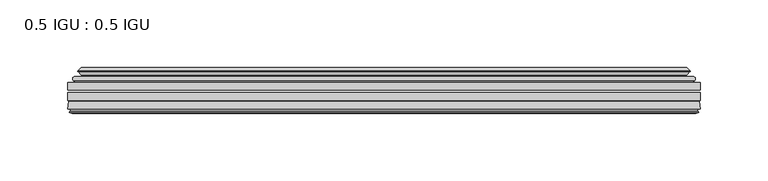
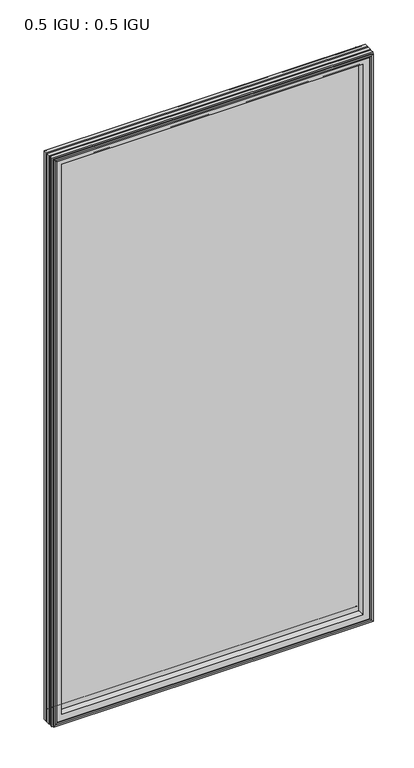
"""IFC4 building model written with IfcOpenShell, lengths in millimetres: plate geometry, 0.5 IGU : 0.5 IGU."""

from ifc_helpers import new_model, si_unit, frame, origin, place, context, project, spatial, polyline, ellipse_curve, outline, extrude, source, transform, mapped, element, save
from ifc_brep_helpers import plane_surface, cylinder_surface, revolved_surface, advanced_brep


def plate_0_5_igu_0_5_igu_bcd5ea9c(model_context):
    return source(origin(), model_context, "Body", "SolidModel", [
        extrude(outline(polyline([(233.376675, -55.82285), (233.376675, -61.48705), (-233.3625, -61.48705), (-233.3625, -55.82285), (233.376675, -55.82285)])), frame((0.0, 0.0, -14.2875), z_axis=(0.0, 0.0, 1.0), x_axis=(1.0, 0.0, 0.0)), (0.0, 0.0, 1.0), 873.1287979),
        extrude(outline(polyline([(-233.3625, -69.05625), (-233.3625, -63.39205), (233.376675, -63.39205), (233.376675, -69.05625), (-233.3625, -69.05625)])), frame((0.0, 0.0, -14.2875), z_axis=(0.0, 0.0, 1.0), x_axis=(1.0, 0.0, 0.0)), (0.0, 0.0, 1.0), 873.1287979),
        advanced_brep(
        [(-229.2599626, -54.3724927, 854.7349626), (-228.2154378, -51.60645, 853.6904378), (-228.2154378, -51.60645, -9.1404378), (-229.2599626, -54.3724927, -10.1849626), (-227.623517, -55.82285, 853.098517), (-227.623517, -55.82285, -8.548517), (-219.075, -45.63745, 844.55), (-215.4922761, -55.82285, 840.9672761), (-215.4922761, -55.82285, 3.5827239), (-219.075, -45.63745, 0.0), (-224.2609109, -46.8185491, 849.7359109), (-224.2609109, -46.8185491, -5.1859109), (-223.4638893, -44.8183085, 848.9388893), (-223.4638893, -44.8183085, -4.3888893), (-225.7476111, -47.135817, 851.2226111), (-225.7476111, -47.135817, -6.6726111), (-225.7476111, -47.8489429, 851.2226111), (-225.7476111, -47.8489429, -6.6726111), (-223.4638893, -50.1664515, 848.9388893), (-223.4638893, -50.1664515, -4.3888893), (-224.2532501, -48.1854367, 849.7282501), (-224.2532501, -48.1854367, -5.1782501), (-221.7294379, -48.027045, 847.2044379), (-221.7294379, -48.027045, -2.6544379), (-220.7036217, -48.7147544, 846.1786217), (-220.7036217, -48.7147544, -1.6286217), (-220.8220288, -50.1092231, 846.2970288), (-220.8220288, -50.1092231, -1.7470288), (-221.4237748, -51.60645, 846.8987748), (-221.4237748, -51.60645, -2.3487748), (228.2154378, -51.60645, -9.1404378), (229.2599626, -54.3724927, -10.1849626), (227.623517, -55.82285, -8.548517), (215.4922761, -55.82285, 3.5827239), (219.075, -45.63745, 0.0), (224.2609109, -46.8185491, -5.1859109), (223.4638893, -44.8183085, -4.3888893), (225.7476111, -47.135817, -6.6726111), (225.7476111, -47.8489429, -6.6726111), (223.4638893, -50.1664515, -4.3888893), (224.2532501, -48.1854367, -5.1782501), (221.7294379, -48.027045, -2.6544379), (220.7036217, -48.7147544, -1.6286217), (220.8220288, -50.1092231, -1.7470288), (221.4237748, -51.60645, -2.3487748), (228.2154378, -51.60645, 853.6904378), (229.2599626, -54.3724927, 854.7349626), (227.623517, -55.82285, 853.098517), (215.4922761, -55.82285, 840.9672761), (219.075, -45.63745, 844.55), (224.2609109, -46.8185491, 849.7359109), (223.4638893, -44.8183085, 848.9388893), (225.7476111, -47.135817, 851.2226111), (225.7476111, -47.8489429, 851.2226111), (223.4638893, -50.1664515, 848.9388893), (224.2532501, -48.1854367, 849.7282501), (221.7294379, -48.027045, 847.2044379), (220.7036217, -48.7147544, 846.1786217), (220.8220288, -50.1092231, 846.2970288), (221.4237748, -51.60645, 846.8987748)],
        [
            (0, 1, ellipse_curve(frame((-228.2070703, -53.1898501, 853.6820703), z_axis=(-0.7071067811865475, 0.0, -0.7071067811865475), x_axis=(-0.7071067811865474, 0.0, 0.7071067811865476)), 2.2392971, 1.5834222)),
            (1, 2),
            (2, 3, ellipse_curve(frame((-228.2070703, -53.1898501, -9.1320703), z_axis=(-0.7071067811865475, 0.0, 0.7071067811865475), x_axis=(0.7071067811865474, 0.0, 0.7071067811865476)), 2.2392971, 1.5834222)),
            (3, 0),
            (4, 0),
            (3, 5),
            (5, 4),
            (6, 7, ellipse_curve(frame((-186.795246, -40.0058297, 812.270246), z_axis=(0.7071067811865475, 0.0, 0.7071067811865475), x_axis=(0.7071067811865474, 0.0, -0.7071067811865476)), 46.3399971, 32.7673262)),
            (7, 8),
            (8, 9, ellipse_curve(frame((-186.795246, -40.0058297, 32.279754), z_axis=(0.7071067811865475, 0.0, -0.7071067811865475), x_axis=(-0.7071067811865474, 0.0, -0.7071067811865476)), 46.3399971, 32.7673262)),
            (9, 6),
            (10, 6),
            (9, 11),
            (11, 10),
            (12, 10),
            (11, 13),
            (13, 12),
            (14, 12),
            (13, 15),
            (15, 14),
            (16, 14, ellipse_curve(frame((-225.3857729, -47.49238, 850.8607729), z_axis=(-0.7071067811865475, 0.0, -0.7071067811865475), x_axis=(-0.7071067811865474, 0.0, 0.7071067811865476)), 0.7184205, 0.508)),
            (15, 17, ellipse_curve(frame((-225.3857729, -47.49238, -6.3107729), z_axis=(-0.7071067811865475, 0.0, 0.7071067811865475), x_axis=(0.7071067811865474, 0.0, 0.7071067811865476)), 0.7184205, 0.508)),
            (17, 16),
            (18, 16),
            (17, 19),
            (19, 18),
            (20, 18),
            (19, 21),
            (21, 20),
            (22, 20),
            (21, 23),
            (23, 22),
            (24, 22, ellipse_curve(frame((-221.6658, -49.04105, 847.1408), z_axis=(0.7071067811865475, 0.0, 0.7071067811865475), x_axis=(0.7071067811865474, 0.0, -0.7071067811865476)), 1.436841, 1.016)),
            (23, 25, ellipse_curve(frame((-221.6658, -49.04105, -2.5908), z_axis=(0.7071067811865475, 0.0, -0.7071067811865475), x_axis=(-0.7071067811865474, 0.0, -0.7071067811865476)), 1.436841, 1.016)),
            (25, 24),
            (26, 24, ellipse_curve(frame((-223.0374, -49.21885, 848.5124), z_axis=(0.7071067811865475, 0.0, 0.7071067811865475), x_axis=(0.7071067811865474, 0.0, -0.7071067811865476)), 3.3765763, 2.3876)),
            (25, 27, ellipse_curve(frame((-223.0374, -49.21885, -3.9624), z_axis=(0.7071067811865475, 0.0, -0.7071067811865475), x_axis=(-0.7071067811865474, 0.0, -0.7071067811865476)), 3.3765763, 2.3876)),
            (27, 26),
            (28, 26),
            (27, 29),
            (29, 28),
            (2, 30),
            (30, 31, ellipse_curve(frame((228.2070703, -53.1898501, -9.1320703), z_axis=(-0.7071067811865475, 0.0, -0.7071067811865475), x_axis=(-0.7071067811865476, 0.0, 0.7071067811865474)), 2.2392971, 1.5834222)),
            (31, 3),
            (31, 32),
            (32, 5),
            (8, 33),
            (33, 34, ellipse_curve(frame((186.795246, -40.0058297, 32.279754), z_axis=(0.7071067811865475, 0.0, 0.7071067811865475), x_axis=(0.7071067811865476, 0.0, -0.7071067811865474)), 46.3399971, 32.7673262)),
            (34, 9),
            (34, 35),
            (35, 11),
            (35, 36),
            (36, 13),
            (36, 37),
            (37, 15),
            (37, 38, ellipse_curve(frame((225.3857729, -47.49238, -6.3107729), z_axis=(-0.7071067811865475, 0.0, -0.7071067811865475), x_axis=(-0.7071067811865476, 0.0, 0.7071067811865474)), 0.7184205, 0.508)),
            (38, 17),
            (38, 39),
            (39, 19),
            (39, 40),
            (40, 21),
            (40, 41),
            (41, 23),
            (41, 42, ellipse_curve(frame((221.6658, -49.04105, -2.5908), z_axis=(0.7071067811865475, 0.0, 0.7071067811865475), x_axis=(0.7071067811865476, 0.0, -0.7071067811865474)), 1.436841, 1.016)),
            (42, 25),
            (42, 43, ellipse_curve(frame((223.0374, -49.21885, -3.9624), z_axis=(0.7071067811865475, 0.0, 0.7071067811865475), x_axis=(0.7071067811865476, 0.0, -0.7071067811865474)), 3.3765763, 2.3876)),
            (43, 27),
            (43, 44),
            (44, 29),
            (30, 45),
            (45, 46, ellipse_curve(frame((228.2070703, -53.1898501, 853.6820703), z_axis=(0.7071067811865475, 0.0, -0.7071067811865475), x_axis=(-0.7071067811865474, 0.0, -0.7071067811865476)), 2.2392971, 1.5834222)),
            (46, 31),
            (46, 47),
            (47, 32),
            (33, 48),
            (48, 49, ellipse_curve(frame((186.795246, -40.0058297, 812.270246), z_axis=(-0.7071067811865475, 0.0, 0.7071067811865475), x_axis=(0.7071067811865474, 0.0, 0.7071067811865476)), 46.3399971, 32.7673262)),
            (49, 34),
            (49, 50),
            (50, 35),
            (50, 51),
            (51, 36),
            (51, 52),
            (52, 37),
            (52, 53, ellipse_curve(frame((225.3857729, -47.49238, 850.8607729), z_axis=(0.7071067811865475, 0.0, -0.7071067811865475), x_axis=(-0.7071067811865474, 0.0, -0.7071067811865476)), 0.7184205, 0.508)),
            (53, 38),
            (53, 54),
            (54, 39),
            (54, 55),
            (55, 40),
            (55, 56),
            (56, 41),
            (56, 57, ellipse_curve(frame((221.6658, -49.04105, 847.1408), z_axis=(-0.7071067811865475, 0.0, 0.7071067811865475), x_axis=(0.7071067811865474, 0.0, 0.7071067811865476)), 1.436841, 1.016)),
            (57, 42),
            (57, 58, ellipse_curve(frame((223.0374, -49.21885, 848.5124), z_axis=(-0.7071067811865475, 0.0, 0.7071067811865475), x_axis=(0.7071067811865474, 0.0, 0.7071067811865476)), 3.3765763, 2.3876)),
            (58, 43),
            (58, 59),
            (59, 44),
            (45, 1),
            (0, 46),
            (4, 47),
            (7, 48),
            (6, 49),
            (10, 50),
            (12, 51),
            (14, 52),
            (16, 53),
            (18, 54),
            (20, 55),
            (22, 56),
            (24, 57),
            (26, 58),
            (28, 59),
        ],
        [
            cylinder_surface(frame((-228.2070703, -53.1898501, 876.3), z_axis=(0.0, 0.0, 1.0), x_axis=(-1.0, 0.0, 0.0)), 1.5834222),
            plane_surface(frame((-229.2599626, -54.3724927, 854.7349626), z_axis=(-0.6632745773184306, -0.7483761320907135, 0.0), x_axis=(0.0, 0.0, -1.0))),
            revolved_surface(polyline([(-219.56257219999998, -40.0058297, -0.48757218957496207), (-219.56257219999998, -40.0058297, 845.037572189575)]), (-186.795246, -40.0058297, 876.3), (0.0, 0.0, -1.0)),
            plane_surface(frame((-219.075, -45.63745, 844.55), z_axis=(-0.22206498442787428, 0.975031867525902, 0.0), x_axis=(0.0, 0.0, -1.0))),
            plane_surface(frame((-224.2609109, -46.8185491, 849.7359109), z_axis=(0.9289682685630282, -0.370159365683228, 0.0), x_axis=(0.0, 0.0, -1.0))),
            plane_surface(frame((-223.4638893, -44.8183085, 848.9388893), z_axis=(-0.7122798501733507, 0.7018955869907071, 0.0), x_axis=(0.0, 0.0, -1.0))),
            cylinder_surface(frame((-225.3857729, -47.49238, 876.3), z_axis=(0.0, 0.0, 1.0), x_axis=(-1.0, 0.0, 0.0)), 0.508),
            plane_surface(frame((-225.7476111, -47.8489429, 851.2226111), z_axis=(-0.7122798501732925, -0.701895586990766, 0.0), x_axis=(0.0, 0.0, -1.0))),
            plane_surface(frame((-223.4638893, -50.1664515, 848.9388893), z_axis=(0.9289682685628707, 0.3701593656836228, 0.0), x_axis=(0.0, 0.0, -1.0))),
            plane_surface(frame((-224.2532501, -48.1854367, 849.7282501), z_axis=(0.06263570119284978, -0.9980364567169279, 0.0), x_axis=(0.0, 0.0, -1.0))),
            revolved_surface(polyline([(-222.68179999999998, -49.04105, -3.606800014586838), (-222.68179999999998, -49.04105, 848.1568000145869)]), (-221.6658, -49.04105, 876.3), (0.0, 0.0, -1.0)),
            revolved_surface(polyline([(-225.42499999999998, -49.21885, -6.3499999989237494), (-225.42499999999998, -49.21885, 850.8999999989237)]), (-223.0374, -49.21885, 876.3), (0.0, 0.0, -1.0)),
            plane_surface(frame((-220.8220288, -50.1092231, 846.2970288), z_axis=(-0.9278652925428184, 0.3729155385532094, 0.0), x_axis=(0.0, 0.0, -1.0))),
            cylinder_surface(frame((-250.825, -53.1898501, -9.1320703), z_axis=(-1.0, 0.0, 0.0), x_axis=(0.0, 0.0, -1.0)), 1.5834222),
            plane_surface(frame((-229.2599626, -54.3724927, -10.1849626), z_axis=(0.0, -0.7483761320907157, -0.6632745773184283), x_axis=(1.0, 0.0, 0.0))),
            revolved_surface(polyline([(219.5625721895749, -40.0058297, -0.48757220000000245), (-219.56257218957492, -40.0058297, -0.48757220000000245)]), (-250.825, -40.0058297, 32.279754), (1.0, 0.0, 0.0)),
            plane_surface(frame((-219.075, -45.63745, 0.0), z_axis=(0.0, 0.9750318675259013, -0.22206498442787745), x_axis=(1.0, 0.0, 0.0))),
            plane_surface(frame((-224.2609109, -46.8185491, -5.1859109), z_axis=(0.0, -0.370159365683225, 0.9289682685630294), x_axis=(1.0, 0.0, 0.0))),
            plane_surface(frame((-223.4638893, -44.8183085, -4.3888893), z_axis=(0.0, 0.7018955869907048, -0.7122798501733529), x_axis=(1.0, 0.0, 0.0))),
            cylinder_surface(frame((-250.825, -47.49238, -6.3107729), z_axis=(-1.0, 0.0, 0.0), x_axis=(0.0, 0.0, -1.0)), 0.508),
            plane_surface(frame((-225.7476111, -47.8489429, -6.6726111), z_axis=(0.0, -0.7018955869907684, -0.7122798501732903), x_axis=(1.0, 0.0, 0.0))),
            plane_surface(frame((-223.4638893, -50.1664515, -4.3888893), z_axis=(0.0, 0.37015936568362584, 0.9289682685628696), x_axis=(1.0, 0.0, 0.0))),
            plane_surface(frame((-224.2532501, -48.1854367, -5.1782501), z_axis=(0.0, -0.9980364567169276, 0.06263570119285301), x_axis=(1.0, 0.0, 0.0))),
            revolved_surface(polyline([(222.68180001458683, -49.04105, -3.6068000000000002), (-222.68180001458686, -49.04105, -3.6068000000000002)]), (-250.825, -49.04105, -2.5908), (1.0, 0.0, 0.0)),
            revolved_surface(polyline([(225.4249999989238, -49.21885, -6.35), (-225.42499999892377, -49.21885, -6.35)]), (-250.825, -49.21885, -3.9624), (1.0, 0.0, 0.0)),
            plane_surface(frame((-220.8220288, -50.1092231, -1.7470288), z_axis=(0.0, 0.3729155385532064, -0.9278652925428196), x_axis=(1.0, 0.0, 0.0))),
            cylinder_surface(frame((228.2070703, -53.1898501, -31.75), z_axis=(0.0, 0.0, -1.0), x_axis=(1.0, 0.0, 0.0)), 1.5834222),
            plane_surface(frame((229.2599626, -54.3724927, -10.1849626), z_axis=(0.6632745773184259, -0.7483761320907178, 0.0), x_axis=(0.0, 0.0, 1.0))),
            revolved_surface(polyline([(219.56257219999998, -40.0058297, 845.037572189575), (219.56257219999998, -40.0058297, -0.48757218957494075)]), (186.795246, -40.0058297, -31.75), (0.0, 0.0, 1.0)),
            plane_surface(frame((219.075, -45.63745, 0.0), z_axis=(0.22206498442788059, 0.9750318675259005, 0.0), x_axis=(0.0, 0.0, 1.0))),
            plane_surface(frame((224.2609109, -46.8185491, -5.1859109), z_axis=(-0.9289682685630306, -0.370159365683222, 0.0), x_axis=(0.0, 0.0, 1.0))),
            plane_surface(frame((223.4638893, -44.8183085, -4.3888893), z_axis=(0.7122798501733552, 0.7018955869907024, 0.0), x_axis=(0.0, 0.0, 1.0))),
            cylinder_surface(frame((225.3857729, -47.49238, -31.75), z_axis=(0.0, 0.0, -1.0), x_axis=(1.0, 0.0, 0.0)), 0.508),
            plane_surface(frame((225.7476111, -47.8489429, -6.6726111), z_axis=(0.712279850173288, -0.7018955869907706, 0.0), x_axis=(0.0, 0.0, 1.0))),
            plane_surface(frame((223.4638893, -50.1664515, -4.3888893), z_axis=(-0.9289682685628684, 0.37015936568362884, 0.0), x_axis=(0.0, 0.0, 1.0))),
            plane_surface(frame((224.2532501, -48.1854367, -5.1782501), z_axis=(-0.06263570119285625, -0.9980364567169274, 0.0), x_axis=(0.0, 0.0, 1.0))),
            revolved_surface(polyline([(222.68179999999998, -49.04105, 848.1568000145869), (222.68179999999998, -49.04105, -3.606800014586863)]), (221.6658, -49.04105, -31.75), (0.0, 0.0, 1.0)),
            revolved_surface(polyline([(225.42499999999998, -49.21885, 850.8999999989237), (225.42499999999998, -49.21885, -6.349999998923781)]), (223.0374, -49.21885, -31.75), (0.0, 0.0, 1.0)),
            plane_surface(frame((220.8220288, -50.1092231, -1.7470288), z_axis=(0.9278652925428208, 0.3729155385532034, 0.0), x_axis=(0.0, 0.0, 1.0))),
            cylinder_surface(frame((250.825, -53.1898501, 853.6820703), z_axis=(1.0, 0.0, 0.0), x_axis=(0.0, 0.0, 1.0)), 1.5834222),
            plane_surface(frame((229.2599626, -54.3724927, 854.7349626), z_axis=(0.0, -0.7483761320907157, 0.6632745773184283), x_axis=(-1.0, 0.0, 0.0))),
            plane_surface(frame((227.623517, -55.82285, 853.098517), z_axis=(0.0, -1.0, 0.0), x_axis=(-1.0, 0.0, 0.0))),
            revolved_surface(polyline([(-219.5625721895749, -40.0058297, 845.0375722), (219.56257218957492, -40.0058297, 845.0375722)]), (250.825, -40.0058297, 812.270246), (-1.0, 0.0, 0.0)),
            plane_surface(frame((219.075, -45.63745, 844.55), z_axis=(0.0, 0.9750318675259012, 0.22206498442787742), x_axis=(-1.0, 0.0, 0.0))),
            plane_surface(frame((224.2609109, -46.8185491, 849.7359109), z_axis=(0.0, -0.370159365683225, -0.9289682685630294), x_axis=(-1.0, 0.0, 0.0))),
            plane_surface(frame((223.4638893, -44.8183085, 848.9388893), z_axis=(0.0, 0.7018955869907048, 0.7122798501733529), x_axis=(-1.0, 0.0, 0.0))),
            cylinder_surface(frame((250.825, -47.49238, 850.8607729), z_axis=(1.0, 0.0, 0.0), x_axis=(0.0, 0.0, 1.0)), 0.508),
            plane_surface(frame((225.7476111, -47.8489429, 851.2226111), z_axis=(0.0, -0.7018955869907684, 0.7122798501732903), x_axis=(-1.0, 0.0, 0.0))),
            plane_surface(frame((223.4638893, -50.1664515, 848.9388893), z_axis=(0.0, 0.37015936568362584, -0.9289682685628696), x_axis=(-1.0, 0.0, 0.0))),
            plane_surface(frame((224.2532501, -48.1854367, 849.7282501), z_axis=(0.0, -0.9980364567169276, -0.06263570119285301), x_axis=(-1.0, 0.0, 0.0))),
            revolved_surface(polyline([(-222.68180001458683, -49.04105, 848.1568), (222.68180001458686, -49.04105, 848.1568)]), (250.825, -49.04105, 847.1408), (-1.0, 0.0, 0.0)),
            revolved_surface(polyline([(-225.4249999989238, -49.21885, 850.9), (225.42499999892377, -49.21885, 850.9)]), (250.825, -49.21885, 848.5124), (-1.0, 0.0, 0.0)),
            plane_surface(frame((220.8220288, -50.1092231, 846.2970288), z_axis=(0.0, 0.3729155385532064, 0.9278652925428196), x_axis=(-1.0, 0.0, 0.0))),
            plane_surface(frame((221.4237748, -51.60645, 846.8987748), z_axis=(0.0, 1.0, 0.0), x_axis=(-1.0, 0.0, 0.0))),
        ],
        [
            (0, [[1, 2, 3, 4]]),
            (1, [[5, -4, 6, 7]]),
            (2, [[8, 9, 10, 11]]),
            (3, [[12, -11, 13, 14]]),
            (4, [[15, -14, 16, 17]]),
            (5, [[18, -17, 19, 20]]),
            (6, [[21, -20, 22, 23]]),
            (7, [[24, -23, 25, 26]]),
            (8, [[27, -26, 28, 29]]),
            (9, [[30, -29, 31, 32]]),
            (10, [[33, -32, 34, 35]]),
            (11, [[36, -35, 37, 38]]),
            (12, [[39, -38, 40, 41]]),
            (13, [[-3, 42, 43, 44]]),
            (14, [[-6, -44, 45, 46]]),
            (15, [[-10, 47, 48, 49]]),
            (16, [[-13, -49, 50, 51]]),
            (17, [[-16, -51, 52, 53]]),
            (18, [[-19, -53, 54, 55]]),
            (19, [[-22, -55, 56, 57]]),
            (20, [[-25, -57, 58, 59]]),
            (21, [[-28, -59, 60, 61]]),
            (22, [[-31, -61, 62, 63]]),
            (23, [[-34, -63, 64, 65]]),
            (24, [[-37, -65, 66, 67]]),
            (25, [[-40, -67, 68, 69]]),
            (26, [[-43, 70, 71, 72]]),
            (27, [[-45, -72, 73, 74]]),
            (28, [[-48, 75, 76, 77]]),
            (29, [[-50, -77, 78, 79]]),
            (30, [[-52, -79, 80, 81]]),
            (31, [[-54, -81, 82, 83]]),
            (32, [[-56, -83, 84, 85]]),
            (33, [[-58, -85, 86, 87]]),
            (34, [[-60, -87, 88, 89]]),
            (35, [[-62, -89, 90, 91]]),
            (36, [[-64, -91, 92, 93]]),
            (37, [[-66, -93, 94, 95]]),
            (38, [[-68, -95, 96, 97]]),
            (39, [[-71, 98, -1, 99]]),
            (40, [[-73, -99, -5, 100]]),
            (41, [[-46, -74, -100, -7], [101, -75, -47, -9]]),
            (42, [[-76, -101, -8, 102]]),
            (43, [[-78, -102, -12, 103]]),
            (44, [[-80, -103, -15, 104]]),
            (45, [[-82, -104, -18, 105]]),
            (46, [[-84, -105, -21, 106]]),
            (47, [[-86, -106, -24, 107]]),
            (48, [[-88, -107, -27, 108]]),
            (49, [[-90, -108, -30, 109]]),
            (50, [[-92, -109, -33, 110]]),
            (51, [[-94, -110, -36, 111]]),
            (52, [[-96, -111, -39, 112]]),
            (53, [[-98, -70, -42, -2], [-69, -97, -112, -41]]),
        ],
    ),
        advanced_brep(
        [(-233.3752, -75.40625, 858.8502), (-232.6804162, -69.7476901, 858.1554162), (-232.6804162, -69.7476901, -13.6054162), (-233.3752, -75.40625, -14.3002), (-230.9876, -77.3973143, 856.4626), (-231.4448, -75.40625, 856.9198), (-231.4448, -75.40625, -12.3698), (-230.9876, -77.3973143, -11.9126), (-231.9889619, -77.1290001, 857.4639619), (-231.9889619, -77.1290001, -12.9139619), (-232.2322, -78.0367772, 857.7072), (-232.2322, -78.0367772, -13.1572), (-230.2002, -78.58125, 855.6752), (-230.2002, -78.58125, -11.1252), (-228.1682, -78.0367772, 853.6432), (-228.1682, -78.0367772, -9.0932), (-228.4114381, -77.1290001, 853.8864381), (-228.4114381, -77.1290001, -9.3364381), (-229.4128, -77.3973143, 854.8878), (-229.4128, -77.3973143, -10.3378), (-228.9556, -75.40625, 854.4306), (-228.9556, -75.40625, -9.8806), (-215.4855369, -69.05625, 840.9605369), (-219.075, -75.40625, 844.55), (-219.075, -75.40625, 0.0), (-215.4855369, -69.05625, 3.5894631), (-231.8988854, -69.05625, 857.3738854), (-231.8988854, -69.05625, -12.8238854), (232.6804162, -69.7476901, -13.6054162), (233.3752, -75.40625, -14.3002), (231.4448, -75.40625, -12.3698), (230.9876, -77.3973143, -11.9126), (231.9889619, -77.1290001, -12.9139619), (232.2322, -78.0367772, -13.1572), (230.2002, -78.58125, -11.1252), (228.1682, -78.0367772, -9.0932), (228.4114381, -77.1290001, -9.3364381), (229.4128, -77.3973143, -10.3378), (228.9556, -75.40625, -9.8806), (219.075, -75.40625, 0.0), (215.4855369, -69.05625, 3.5894631), (231.8988854, -69.05625, -12.8238854), (232.6804162, -69.7476901, 858.1554162), (233.3752, -75.40625, 858.8502), (231.4448, -75.40625, 856.9198), (230.9876, -77.3973143, 856.4626), (231.9889619, -77.1290001, 857.4639619), (232.2322, -78.0367772, 857.7072), (230.2002, -78.58125, 855.6752), (228.1682, -78.0367772, 853.6432), (228.4114381, -77.1290001, 853.8864381), (229.4128, -77.3973143, 854.8878), (228.9556, -75.40625, 854.4306), (219.075, -75.40625, 844.55), (215.4855369, -69.05625, 840.9605369), (231.8988854, -69.05625, 857.3738854)],
        [
            (0, 1),
            (1, 2),
            (2, 3),
            (3, 0),
            (4, 5),
            (5, 6),
            (6, 7),
            (7, 4),
            (8, 4),
            (7, 9),
            (9, 8),
            (10, 8),
            (9, 11),
            (11, 10),
            (12, 10),
            (11, 13),
            (13, 12),
            (14, 12),
            (13, 15),
            (15, 14),
            (16, 14),
            (15, 17),
            (17, 16),
            (18, 16),
            (17, 19),
            (19, 18),
            (20, 18),
            (19, 21),
            (21, 20),
            (22, 23, ellipse_curve(frame((-210.5987114, -76.0081323, 836.0737114), z_axis=(0.7071067811865475, 0.0, 0.7071067811865475), x_axis=(0.7071067811865474, 0.0, -0.7071067811865476)), 12.0174649, 8.4976309)),
            (23, 24),
            (24, 25, ellipse_curve(frame((-210.5987114, -76.0081323, 8.4762886), z_axis=(0.7071067811865475, 0.0, -0.7071067811865475), x_axis=(-0.7071067811865474, 0.0, -0.7071067811865476)), 12.0174649, 8.4976309)),
            (25, 22),
            (1, 26, ellipse_curve(frame((-231.8988854, -69.84365, 857.3738854), z_axis=(-0.7071067811865475, 0.0, -0.7071067811865475), x_axis=(-0.7071067811865474, 0.0, 0.7071067811865476)), 1.1135518, 0.7874)),
            (26, 27),
            (27, 2, ellipse_curve(frame((-231.8988854, -69.84365, -12.8238854), z_axis=(-0.7071067811865475, 0.0, 0.7071067811865475), x_axis=(0.7071067811865474, 0.0, 0.7071067811865476)), 1.1135518, 0.7874)),
            (2, 28),
            (28, 29),
            (29, 3),
            (6, 30),
            (30, 31),
            (31, 7),
            (31, 32),
            (32, 9),
            (32, 33),
            (33, 11),
            (33, 34),
            (34, 13),
            (34, 35),
            (35, 15),
            (35, 36),
            (36, 17),
            (36, 37),
            (37, 19),
            (37, 38),
            (38, 21),
            (24, 39),
            (39, 40, ellipse_curve(frame((210.5987114, -76.0081323, 8.4762886), z_axis=(0.7071067811865475, 0.0, 0.7071067811865475), x_axis=(0.7071067811865476, 0.0, -0.7071067811865474)), 12.0174649, 8.4976309)),
            (40, 25),
            (27, 41),
            (41, 28, ellipse_curve(frame((231.8988854, -69.84365, -12.8238854), z_axis=(-0.7071067811865475, 0.0, -0.7071067811865475), x_axis=(-0.7071067811865476, 0.0, 0.7071067811865474)), 1.1135518, 0.7874)),
            (28, 42),
            (42, 43),
            (43, 29),
            (30, 44),
            (44, 45),
            (45, 31),
            (45, 46),
            (46, 32),
            (46, 47),
            (47, 33),
            (47, 48),
            (48, 34),
            (48, 49),
            (49, 35),
            (49, 50),
            (50, 36),
            (50, 51),
            (51, 37),
            (51, 52),
            (52, 38),
            (39, 53),
            (53, 54, ellipse_curve(frame((210.5987114, -76.0081323, 836.0737114), z_axis=(-0.7071067811865475, 0.0, 0.7071067811865475), x_axis=(0.7071067811865474, 0.0, 0.7071067811865476)), 12.0174649, 8.4976309)),
            (54, 40),
            (41, 55),
            (55, 42, ellipse_curve(frame((231.8988854, -69.84365, 857.3738854), z_axis=(0.7071067811865475, 0.0, -0.7071067811865475), x_axis=(-0.7071067811865474, 0.0, -0.7071067811865476)), 1.1135518, 0.7874)),
            (42, 1),
            (0, 43),
            (5, 44),
            (4, 45),
            (8, 46),
            (10, 47),
            (12, 48),
            (14, 49),
            (16, 50),
            (18, 51),
            (20, 52),
            (23, 53),
            (22, 54),
            (26, 55),
        ],
        [
            plane_surface(frame((-232.6804162, -69.7476901, 858.1554162), z_axis=(-0.992546151641325, 0.12186934340512406, 0.0), x_axis=(0.0, 0.0, -1.0))),
            plane_surface(frame((-231.4448, -75.40625, 856.9198), z_axis=(-0.9746347637895902, -0.22380142361658395, 0.0), x_axis=(0.0, 0.0, -1.0))),
            plane_surface(frame((-230.9876, -77.3973143, 856.4626), z_axis=(0.2588190451026526, 0.965925826289033, 0.0), x_axis=(0.0, 0.0, -1.0))),
            plane_surface(frame((-231.9889619, -77.1290001, 857.4639619), z_axis=(-0.9659258262890449, 0.2588190451026083, 0.0), x_axis=(0.0, 0.0, -1.0))),
            plane_surface(frame((-232.2322, -78.0367772, 857.7072), z_axis=(-0.2588190451024403, -0.96592582628909, 0.0), x_axis=(0.0, 0.0, -1.0))),
            plane_surface(frame((-230.2002, -78.58125, 855.6752), z_axis=(0.2588190451025434, -0.9659258262890623, 0.0), x_axis=(0.0, 0.0, -1.0))),
            plane_surface(frame((-228.1682, -78.0367772, 853.6432), z_axis=(0.9659258262891713, 0.25881904510213655, 0.0), x_axis=(0.0, 0.0, -1.0))),
            plane_surface(frame((-228.4114381, -77.1290001, 853.8864381), z_axis=(-0.25881904510234177, 0.9659258262891163, 0.0), x_axis=(0.0, 0.0, -1.0))),
            plane_surface(frame((-229.4128, -77.3973143, 854.8878), z_axis=(0.9746347637895849, -0.22380142361660746, 0.0), x_axis=(0.0, 0.0, -1.0))),
            revolved_surface(polyline([(-219.0963423, -76.0081323, -0.02134232346134013), (-219.0963423, -76.0081323, 844.5713423234613)]), (-210.5987114, -76.0081323, 876.3), (0.0, 0.0, -1.0)),
            cylinder_surface(frame((-231.8988854, -69.84365, 876.3), z_axis=(0.0, 0.0, 1.0), x_axis=(-1.0, 0.0, 0.0)), 0.7874),
            plane_surface(frame((-232.6804162, -69.7476901, -13.6054162), z_axis=(0.0, 0.12186934340512084, -0.9925461516413254), x_axis=(1.0, 0.0, 0.0))),
            plane_surface(frame((-231.4448, -75.40625, -12.3698), z_axis=(0.0, -0.22380142361658714, -0.9746347637895896), x_axis=(1.0, 0.0, 0.0))),
            plane_surface(frame((-230.9876, -77.3973143, -11.9126), z_axis=(0.0, 0.9659258262890339, 0.25881904510264947), x_axis=(1.0, 0.0, 0.0))),
            plane_surface(frame((-231.9889619, -77.1290001, -12.9139619), z_axis=(0.0, 0.25881904510260517, -0.9659258262890458), x_axis=(1.0, 0.0, 0.0))),
            plane_surface(frame((-232.2322, -78.0367772, -13.1572), z_axis=(0.0, -0.9659258262890907, -0.25881904510243714), x_axis=(1.0, 0.0, 0.0))),
            plane_surface(frame((-230.2002, -78.58125, -11.1252), z_axis=(0.0, -0.9659258262890614, 0.2588190451025465), x_axis=(1.0, 0.0, 0.0))),
            plane_surface(frame((-228.1682, -78.0367772, -9.0932), z_axis=(0.0, 0.25881904510213966, 0.9659258262891705), x_axis=(1.0, 0.0, 0.0))),
            plane_surface(frame((-228.4114381, -77.1290001, -9.3364381), z_axis=(0.0, 0.9659258262891154, -0.2588190451023449), x_axis=(1.0, 0.0, 0.0))),
            plane_surface(frame((-229.4128, -77.3973143, -10.3378), z_axis=(0.0, -0.2238014236166043, 0.9746347637895857), x_axis=(1.0, 0.0, 0.0))),
            revolved_surface(polyline([(219.09634232346133, -76.0081323, -0.02134230000000059), (-219.09634232346133, -76.0081323, -0.02134230000000059)]), (-250.825, -76.0081323, 8.4762886), (1.0, 0.0, 0.0)),
            cylinder_surface(frame((-250.825, -69.84365, -12.8238854), z_axis=(-1.0, 0.0, 0.0), x_axis=(0.0, 0.0, -1.0)), 0.7874),
            plane_surface(frame((232.6804162, -69.7476901, -13.6054162), z_axis=(0.9925461516413259, 0.12186934340511762, 0.0), x_axis=(0.0, 0.0, 1.0))),
            plane_surface(frame((231.4448, -75.40625, -12.3698), z_axis=(0.9746347637895888, -0.2238014236165903, 0.0), x_axis=(0.0, 0.0, 1.0))),
            plane_surface(frame((230.9876, -77.3973143, -11.9126), z_axis=(-0.25881904510264636, 0.9659258262890348, 0.0), x_axis=(0.0, 0.0, 1.0))),
            plane_surface(frame((231.9889619, -77.1290001, -12.9139619), z_axis=(0.9659258262890467, 0.25881904510260206, 0.0), x_axis=(0.0, 0.0, 1.0))),
            plane_surface(frame((232.2322, -78.0367772, -13.1572), z_axis=(0.25881904510243403, -0.9659258262890916, 0.0), x_axis=(0.0, 0.0, 1.0))),
            plane_surface(frame((230.2002, -78.58125, -11.1252), z_axis=(-0.25881904510254966, -0.9659258262890607, 0.0), x_axis=(0.0, 0.0, 1.0))),
            plane_surface(frame((228.1682, -78.0367772, -9.0932), z_axis=(-0.9659258262891696, 0.25881904510214276, 0.0), x_axis=(0.0, 0.0, 1.0))),
            plane_surface(frame((228.4114381, -77.1290001, -9.3364381), z_axis=(0.25881904510234804, 0.9659258262891146, 0.0), x_axis=(0.0, 0.0, 1.0))),
            plane_surface(frame((229.4128, -77.3973143, -10.3378), z_axis=(-0.9746347637895865, -0.22380142361660113, 0.0), x_axis=(0.0, 0.0, 1.0))),
            revolved_surface(polyline([(219.0963423, -76.0081323, 844.5713423234613), (219.0963423, -76.0081323, -0.021342323461311707)]), (210.5987114, -76.0081323, -31.75), (0.0, 0.0, 1.0)),
            cylinder_surface(frame((231.8988854, -69.84365, -31.75), z_axis=(0.0, 0.0, -1.0), x_axis=(1.0, 0.0, 0.0)), 0.7874),
            plane_surface(frame((232.6804162, -69.7476901, 858.1554162), z_axis=(0.0, 0.12186934340512084, 0.9925461516413254), x_axis=(-1.0, 0.0, 0.0))),
            plane_surface(frame((233.3752, -75.40625, 858.8502), z_axis=(0.0, -1.0, 0.0), x_axis=(-1.0, 0.0, 0.0))),
            plane_surface(frame((231.4448, -75.40625, 856.9198), z_axis=(0.0, -0.22380142361658714, 0.9746347637895896), x_axis=(-1.0, 0.0, 0.0))),
            plane_surface(frame((230.9876, -77.3973143, 856.4626), z_axis=(0.0, 0.9659258262890339, -0.25881904510264947), x_axis=(-1.0, 0.0, 0.0))),
            plane_surface(frame((231.9889619, -77.1290001, 857.4639619), z_axis=(0.0, 0.25881904510260517, 0.9659258262890458), x_axis=(-1.0, 0.0, 0.0))),
            plane_surface(frame((232.2322, -78.0367772, 857.7072), z_axis=(0.0, -0.9659258262890907, 0.25881904510243714), x_axis=(-1.0, 0.0, 0.0))),
            plane_surface(frame((230.2002, -78.58125, 855.6752), z_axis=(0.0, -0.9659258262890614, -0.25881904510254655), x_axis=(-1.0, 0.0, 0.0))),
            plane_surface(frame((228.1682, -78.0367772, 853.6432), z_axis=(0.0, 0.25881904510213966, -0.9659258262891705), x_axis=(-1.0, 0.0, 0.0))),
            plane_surface(frame((228.4114381, -77.1290001, 853.8864381), z_axis=(0.0, 0.9659258262891155, 0.25881904510234494), x_axis=(-1.0, 0.0, 0.0))),
            plane_surface(frame((229.4128, -77.3973143, 854.8878), z_axis=(0.0, -0.2238014236166043, -0.9746347637895857), x_axis=(-1.0, 0.0, 0.0))),
            plane_surface(frame((228.9556, -75.40625, 854.4306), z_axis=(0.0, -1.0, 0.0), x_axis=(-1.0, 0.0, 0.0))),
            revolved_surface(polyline([(-219.09634232346133, -76.0081323, 844.5713423), (219.09634232346133, -76.0081323, 844.5713423)]), (250.825, -76.0081323, 836.0737114), (-1.0, 0.0, 0.0)),
            plane_surface(frame((215.4855369, -69.05625, 840.9605369), z_axis=(0.0, 1.0, 0.0), x_axis=(-1.0, 0.0, 0.0))),
            cylinder_surface(frame((250.825, -69.84365, 857.3738854), z_axis=(1.0, 0.0, 0.0), x_axis=(0.0, 0.0, 1.0)), 0.7874),
        ],
        [
            (0, [[1, 2, 3, 4]]),
            (1, [[5, 6, 7, 8]]),
            (2, [[9, -8, 10, 11]]),
            (3, [[12, -11, 13, 14]]),
            (4, [[15, -14, 16, 17]]),
            (5, [[18, -17, 19, 20]]),
            (6, [[21, -20, 22, 23]]),
            (7, [[24, -23, 25, 26]]),
            (8, [[27, -26, 28, 29]]),
            (9, [[30, 31, 32, 33]]),
            (10, [[34, 35, 36, -2]]),
            (11, [[-3, 37, 38, 39]]),
            (12, [[-7, 40, 41, 42]]),
            (13, [[-10, -42, 43, 44]]),
            (14, [[-13, -44, 45, 46]]),
            (15, [[-16, -46, 47, 48]]),
            (16, [[-19, -48, 49, 50]]),
            (17, [[-22, -50, 51, 52]]),
            (18, [[-25, -52, 53, 54]]),
            (19, [[-28, -54, 55, 56]]),
            (20, [[-32, 57, 58, 59]]),
            (21, [[-36, 60, 61, -37]]),
            (22, [[-38, 62, 63, 64]]),
            (23, [[-41, 65, 66, 67]]),
            (24, [[-43, -67, 68, 69]]),
            (25, [[-45, -69, 70, 71]]),
            (26, [[-47, -71, 72, 73]]),
            (27, [[-49, -73, 74, 75]]),
            (28, [[-51, -75, 76, 77]]),
            (29, [[-53, -77, 78, 79]]),
            (30, [[-55, -79, 80, 81]]),
            (31, [[-58, 82, 83, 84]]),
            (32, [[-61, 85, 86, -62]]),
            (33, [[-63, 87, -1, 88]]),
            (34, [[-39, -64, -88, -4], [89, -65, -40, -6]]),
            (35, [[-66, -89, -5, 90]]),
            (36, [[-68, -90, -9, 91]]),
            (37, [[-70, -91, -12, 92]]),
            (38, [[-72, -92, -15, 93]]),
            (39, [[-74, -93, -18, 94]]),
            (40, [[-76, -94, -21, 95]]),
            (41, [[-78, -95, -24, 96]]),
            (42, [[-80, -96, -27, 97]]),
            (43, [[-56, -81, -97, -29], [98, -82, -57, -31]]),
            (44, [[-83, -98, -30, 99]]),
            (45, [[100, -85, -60, -35], [-59, -84, -99, -33]]),
            (46, [[-86, -100, -34, -87]]),
        ],
    ),
    ])


if __name__ == "__main__":
    model = new_model("IFC4")
    model_context = context("Model", 3, world=origin())
    ifc_project = project(units=[si_unit("LENGTHUNIT", "METRE", prefix="MILLI")], contexts=[model_context])
    site = spatial("IfcSite", under=ifc_project)
    building = spatial("IfcBuilding", under=site)
    placement = place(None, origin())
    plate_0_5_igu_0_5_igu_shape = plate_0_5_igu_0_5_igu_bcd5ea9c(model_context)
    element("IfcPlate", 1, ObjectType="0.5 IGU : 0.5 IGU", at=placement, inside=building, context=model_context, shape_type="MappedRepresentation", body=[
        mapped(plate_0_5_igu_0_5_igu_shape, transform((0.0, 0.0, 0.0), x_axis=(1.0, 0.0, 0.0), y_axis=(0.0, 1.0, 0.0), z_axis=(0.0, 0.0, 1.0))),
    ])
    save(model, "model.ifc")
